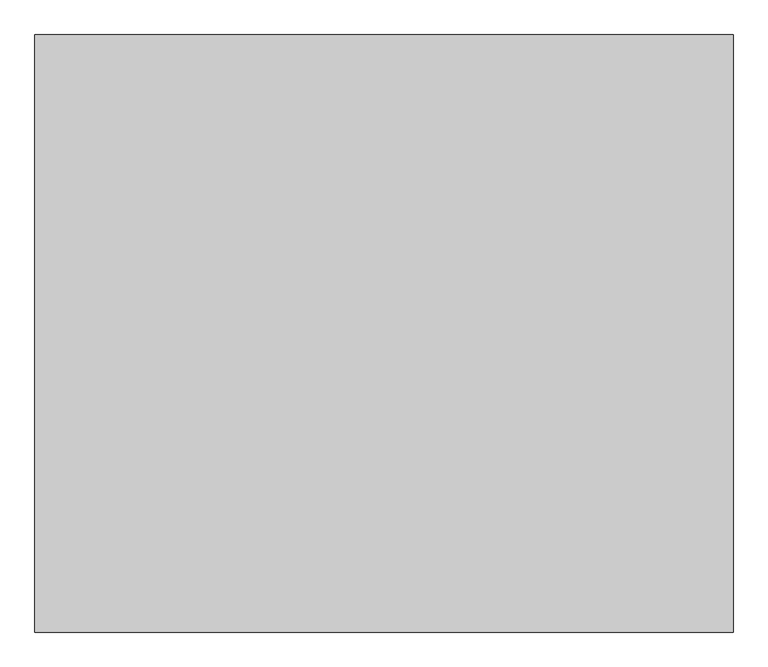
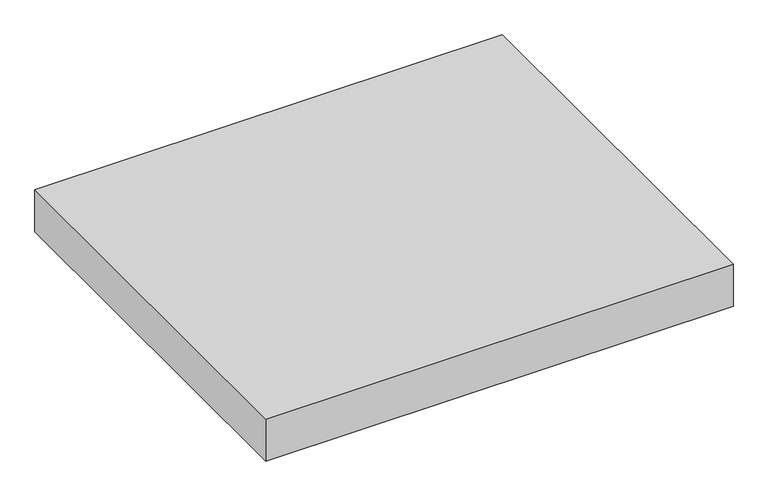
"""IFC4 building model written with IfcOpenShell, lengths in millimetres: proxy geometry."""

from ifc_helpers import new_model, si_unit, frame, origin, place, context, project, spatial, polyline, outline, extrude, source, transform, mapped, element, save


def generic_models_19d8d773(model_context):
    return source(origin(), model_context, "Body", "SweptSolid", [
        extrude(outline(polyline([(37605.2710168, -23977.1529893), (37605.2710168, -24891.5529893), (36536.9618586, -24891.5529893), (36536.9618586, -23977.1529893), (37605.2710168, -23977.1529893)])), frame((0.0, 0.0, 4572.0), z_axis=(0.0, 0.0, 1.0), x_axis=(1.0, 0.0, 0.0)), (0.0, 0.0, 1.0), 101.6),
    ])


if __name__ == "__main__":
    model = new_model("IFC4")
    model_context = context("Model", 3, world=origin())
    ifc_project = project(units=[si_unit("LENGTHUNIT", "METRE", prefix="MILLI")], contexts=[model_context])
    site = spatial("IfcSite", under=ifc_project)
    building = spatial("IfcBuilding", under=site)
    placement = place(None, origin())
    generic_models_shape = generic_models_19d8d773(model_context)
    element("IfcBuildingElementProxy", 1, Name="Generic Models", at=placement, inside=building, context=model_context, shape_type="MappedRepresentation", body=[
        mapped(generic_models_shape, transform((0.0, 0.0, 0.0), x_axis=(1.0, 0.0, 0.0), y_axis=(0.0, 1.0, 0.0), z_axis=(0.0, 0.0, 1.0))),
    ])
    save(model, "model.ifc")
